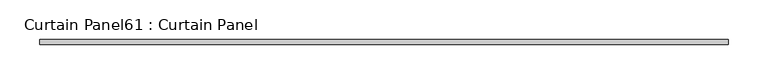
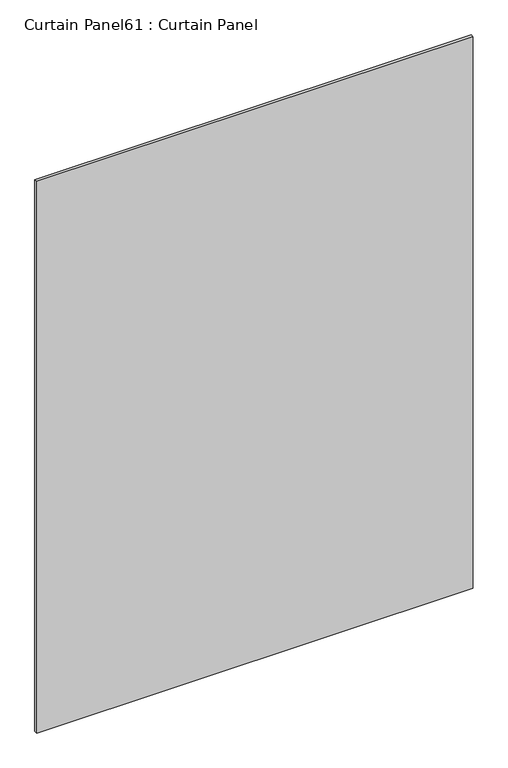
"""IFC4 building model written with IfcOpenShell, lengths in millimetres: plate geometry, Curtain Panel61 : Curtain Panel."""

from ifc_helpers import new_model, si_unit, frame, origin, place, context, project, spatial, polyline, outline, extrude, source, transform, mapped, element, save


def curtain_panel61_curtain_panel_08db448f(model_context):
    return source(origin(), model_context, "Body", "SweptSolid", [
        extrude(outline(polyline([(-35583.2529447, 3064.6151643), (-36453.0893244, 3064.6151643), (-36453.0893244, 3070.9651643), (-35583.2529447, 3070.9651643), (-35583.2529447, 3064.6151643)])), frame((0.0, 0.0, 2454.2537315), z_axis=(0.0, 0.0, 1.0), x_axis=(1.0, 0.0, 0.0)), (0.0, 0.0, 1.0), 1162.0712685),
    ])


if __name__ == "__main__":
    model = new_model("IFC4")
    model_context = context("Model", 3, world=origin())
    ifc_project = project(units=[si_unit("LENGTHUNIT", "METRE", prefix="MILLI")], contexts=[model_context])
    site = spatial("IfcSite", under=ifc_project)
    building = spatial("IfcBuilding", under=site)
    placement = place(None, origin())
    curtain_panel61_curtain_panel_shape = curtain_panel61_curtain_panel_08db448f(model_context)
    element("IfcPlate", 1, ObjectType="Curtain Panel61 : Curtain Panel", at=placement, inside=building, context=model_context, shape_type="MappedRepresentation", body=[
        mapped(curtain_panel61_curtain_panel_shape, transform((0.0, 0.0, 0.0), x_axis=(1.0, 0.0, 0.0), y_axis=(0.0, 1.0, 0.0), z_axis=(0.0, 0.0, 1.0))),
    ])
    save(model, "model.ifc")
